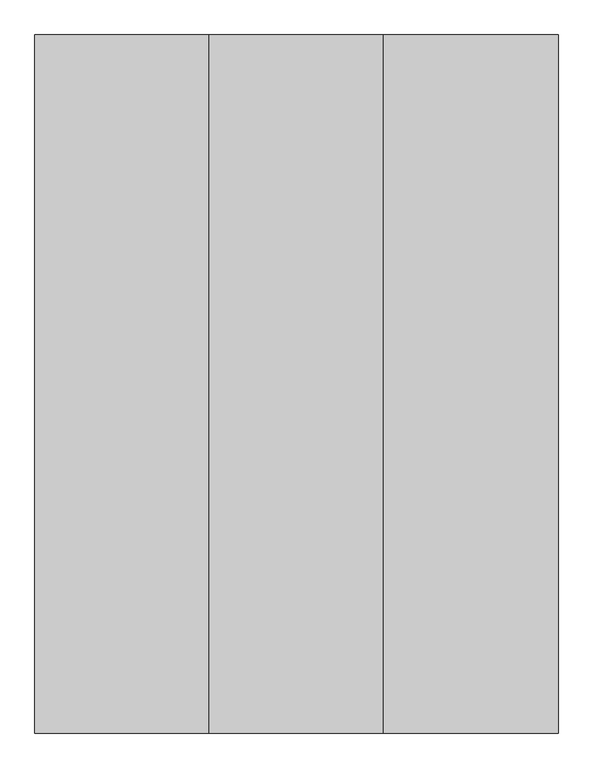
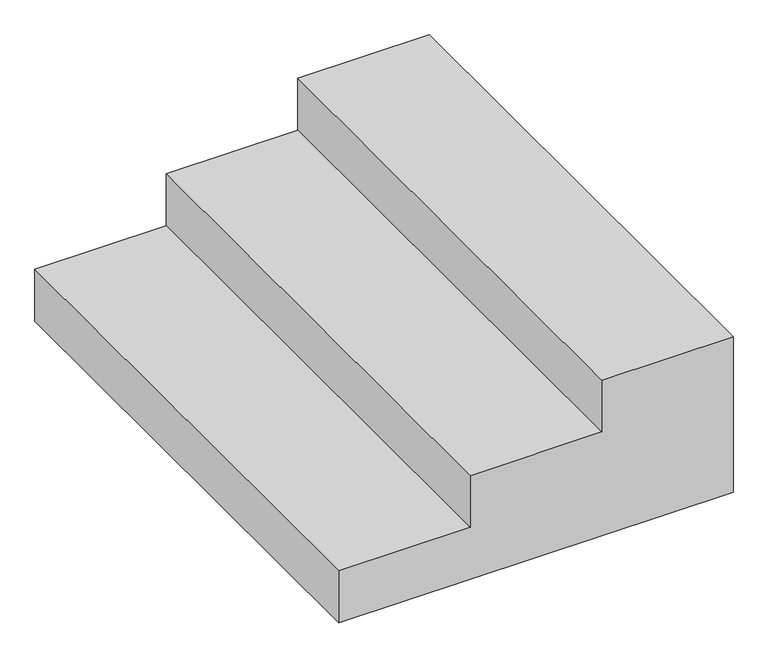
"""IFC4 building model written with IfcOpenShell, lengths in millimetres: proxy geometry."""

from ifc_helpers import new_model, si_unit, frame, origin, place, context, project, spatial, polyline, outline, extrude, source, transform, mapped, element, save


def generic_models_f910807e(model_context):
    return source(origin(), model_context, "Body", "SweptSolid", [
        extrude(outline(polyline([(0.0, -6161.2170004), (-125.0, -6161.2170004), (-125.0, -6461.2170004), (-250.0, -6461.2170004), (-250.0, -6761.2170004), (-375.0, -6761.2170004), (-375.0, -5861.2170004), (0.0, -5861.2170004), (0.0, -6161.2170004)])), frame((0.0, 357.7157615, 0.0), z_axis=(0.0, 1.0, 0.0), x_axis=(0.0, 0.0, 1.0)), (0.0, 0.0, 1.0), 1200.0),
    ])


if __name__ == "__main__":
    model = new_model("IFC4")
    model_context = context("Model", 3, world=origin())
    ifc_project = project(units=[si_unit("LENGTHUNIT", "METRE", prefix="MILLI")], contexts=[model_context])
    site = spatial("IfcSite", under=ifc_project)
    building = spatial("IfcBuilding", under=site)
    placement = place(None, origin())
    generic_models_shape = generic_models_f910807e(model_context)
    element("IfcBuildingElementProxy", 1, Name="Generic Models", at=placement, inside=building, context=model_context, shape_type="MappedRepresentation", body=[
        mapped(generic_models_shape, transform((0.0, 0.0, 0.0), x_axis=(1.0, 0.0, 0.0), y_axis=(0.0, 1.0, 0.0), z_axis=(0.0, 0.0, 1.0))),
    ])
    save(model, "model.ifc")
